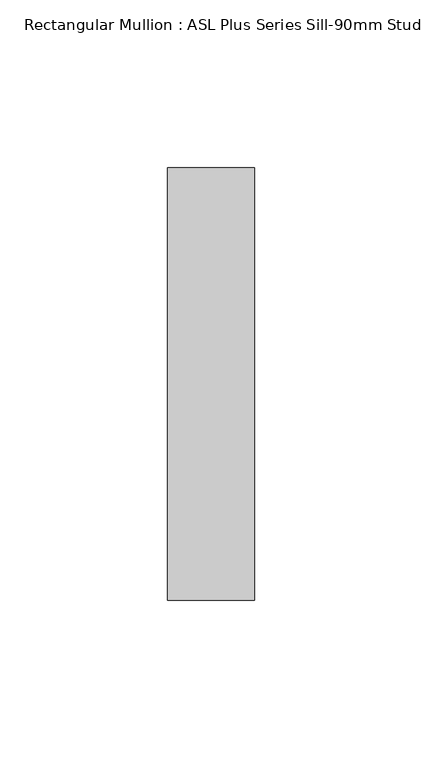
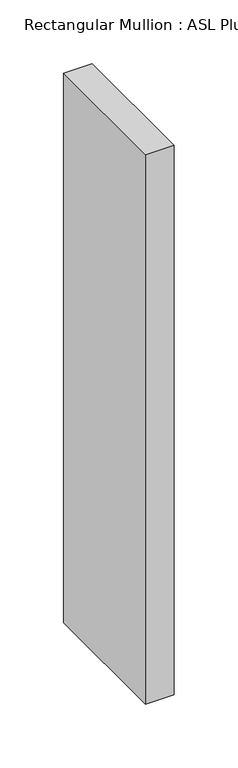
"""IFC4 building model written with IfcOpenShell, lengths in millimetres: member geometry, Rectangular Mullion : ASL Plus Series Sill-90mm Stud."""

from ifc_helpers import new_model, si_unit, frame, origin, place, context, project, spatial, polyline, outline, extrude, source, transform, mapped, element, save


def rectangular_mullion_asl_plus_series_sill_90mm_stud_44a5cdb9(model_context):
    return source(origin(), model_context, "Body", "SweptSolid", [
        extrude(outline(polyline([(-26.0, 64.5), (0.0, 64.5), (0.0, -64.5), (-26.0, -64.5), (-26.0, 64.5)])), frame((0.0, 0.0, -527.0), z_axis=(0.0, 0.0, 1.0), x_axis=(1.0, 0.0, 0.0)), (0.0, 0.0, 1.0), 527.0),
    ])


if __name__ == "__main__":
    model = new_model("IFC4")
    model_context = context("Model", 3, world=origin())
    ifc_project = project(units=[si_unit("LENGTHUNIT", "METRE", prefix="MILLI")], contexts=[model_context])
    site = spatial("IfcSite", under=ifc_project)
    building = spatial("IfcBuilding", under=site)
    placement = place(None, origin())
    rectangular_mullion_asl_plus_series_sill_90mm_stud_shape = rectangular_mullion_asl_plus_series_sill_90mm_stud_44a5cdb9(model_context)
    element("IfcMember", 1, ObjectType="Rectangular Mullion : ASL Plus Series Sill-90mm Stud", at=placement, inside=building, context=model_context, shape_type="MappedRepresentation", body=[
        mapped(rectangular_mullion_asl_plus_series_sill_90mm_stud_shape, transform((0.0, 0.0, 0.0), x_axis=(1.0, 0.0, 0.0), y_axis=(0.0, 1.0, 0.0), z_axis=(0.0, 0.0, 1.0))),
    ])
    save(model, "model.ifc")
